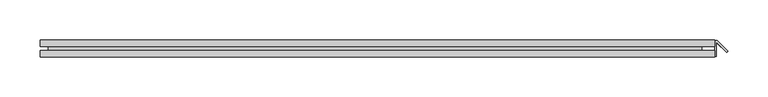
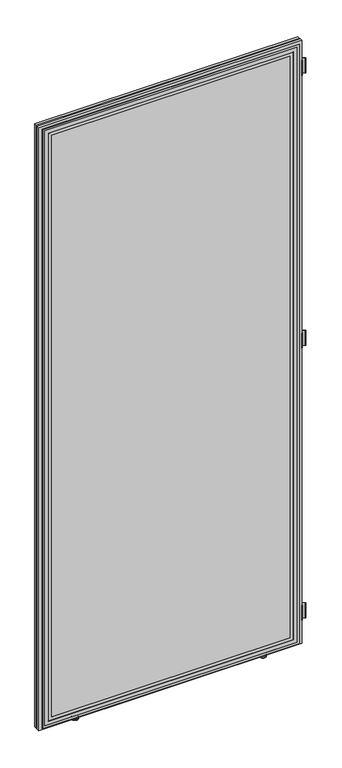
"""IFC4 building model written with IfcOpenShell, lengths in millimetres: furniture geometry."""

from ifc_helpers import new_model, si_unit, point, frame, frame_2d, origin, place, context, project, spatial, polyline, circle_curve, ellipse_curve, trimmed, segment, composite_curve, outline, extrude, faceted_brep, source, transform, mapped, element, save
from ifc_brep_helpers import plane_surface, cylinder_surface, revolved_surface, advanced_brep


def furniture_589c84e5(model_context):
    return source(origin(), model_context, "Body", "SolidModel", [
        extrude(outline(composite_curve([segment(polyline([(1255.3423635, 39.6125109), (1242.614434, 52.3404404), (1242.614434, 34.3404308), (1240.6144289, 34.3404308), (1240.6144289, 52.3132632)]), True, "CONTINUOUS"), segment(trimmed(circle_curve(frame_2d((1242.6256872, 52.3132632)), 2.0112583), [point((1240.6144289, 52.3132632))], [point((1244.0478616, 53.7354376))], False, "CARTESIAN"), True, "CONTINUOUS"), segment(polyline([(1244.0478616, 53.7354376), (1256.7565759, 41.0267233), (1255.3423635, 39.6125109)]), True, "CONTINUOUS")], self_intersect=False)), frame((0.0, 0.0, 1921.0916178), z_axis=(0.0, 0.0, 1.0), x_axis=(1.0, 0.0, 0.0)), (0.0, 0.0, 1.0), 50.7083746),
        extrude(outline(composite_curve([segment(polyline([(1255.3423635, 39.6125109), (1242.614434, 52.3404404), (1242.614434, 34.3404308), (1240.6144289, 34.3404308), (1240.6144289, 52.3132632)]), True, "CONTINUOUS"), segment(trimmed(circle_curve(frame_2d((1242.6256872, 52.3132632)), 2.0112583), [point((1240.6144289, 52.3132632))], [point((1244.0478616, 53.7354376))], False, "CARTESIAN"), True, "CONTINUOUS"), segment(polyline([(1244.0478616, 53.7354376), (1256.7565759, 41.0267233), (1255.3423635, 39.6125109)]), True, "CONTINUOUS")], self_intersect=False)), frame((0.0, 0.0, 1002.6916439), z_axis=(0.0, 0.0, 1.0), x_axis=(1.0, 0.0, 0.0)), (0.0, 0.0, 1.0), 50.7083746),
        extrude(outline(composite_curve([segment(polyline([(1255.3753488, 39.6125109), (1242.6474193, 52.3404404), (1242.6474193, 34.3404308), (1240.6474142, 34.3404308), (1240.6474142, 52.3132632)]), True, "CONTINUOUS"), segment(trimmed(circle_curve(frame_2d((1242.6586725, 52.3132632)), 2.0112583), [point((1240.6474142, 52.3132632))], [point((1244.0808469, 53.7354376))], False, "CARTESIAN"), True, "CONTINUOUS"), segment(polyline([(1244.0808469, 53.7354376), (1256.7895612, 41.0267233), (1255.3753488, 39.6125109)]), True, "CONTINUOUS")], self_intersect=False)), frame((0.0, 0.0, 84.7916486), z_axis=(0.0, 0.0, 1.0), x_axis=(1.0, 0.0, 0.0)), (0.0, 0.0, 1.0), 50.7083746),
        advanced_brep(
        [(522.5140706, 44.4843749, -0.3015086), (531.7640692, 44.4843749, -0.3015086), (513.264072, 44.4843749, -0.3015086), (532.5140689, 44.4843749, 0.448491), (512.5140724, 44.4843749, 0.448491), (532.5140689, 44.4843749, 4.4484915), (512.5140724, 44.4843749, 4.4484915), (531.7640692, 44.4843749, 5.1984911), (513.264072, 44.4843749, 5.1984911), (525.5140692, 44.4843749, 5.1984911), (519.514072, 44.4843749, 5.1984911), (525.5140692, 44.4843749, 24.1984919), (519.514072, 44.4843749, 24.1984919), (522.5140706, 44.4843749, 24.1984919)],
        [
            (0, 1),
            (1, 2, circle_curve(frame((522.5140706, 44.4843749, -0.3015086), z_axis=(0.0, 0.0, -1.0), x_axis=(1.0, 0.0, 0.0)), 9.2499986)),
            (2, 0),
            (2, 1, circle_curve(frame((522.5140706, 44.4843749, -0.3015086), z_axis=(0.0, 0.0, -1.0), x_axis=(1.0, 0.0, 0.0)), 9.2499986)),
            (1, 3, circle_curve(frame((531.7640692, 44.4843749, 0.448491), z_axis=(0.0, -1.0, 0.0), x_axis=(-1.0, 0.0, 0.0)), 0.7499996)),
            (3, 4, circle_curve(frame((522.5140706, 44.4843749, 0.448491), z_axis=(0.0, 0.0, -1.0), x_axis=(1.0, 0.0, 0.0)), 9.9999983)),
            (4, 2, circle_curve(frame((513.264072, 44.4843749, 0.448491), z_axis=(0.0, -1.0, 0.0), x_axis=(1.0, 0.0, 0.0)), 0.7499996)),
            (4, 3, circle_curve(frame((522.5140706, 44.4843749, 0.448491), z_axis=(0.0, 0.0, -1.0), x_axis=(1.0, 0.0, 0.0)), 9.9999983)),
            (3, 5),
            (5, 6, circle_curve(frame((522.5140706, 44.4843749, 4.4484915), z_axis=(0.0, 0.0, -1.0), x_axis=(1.0, 0.0, 0.0)), 9.9999983)),
            (6, 4),
            (6, 5, circle_curve(frame((522.5140706, 44.4843749, 4.4484915), z_axis=(0.0, 0.0, -1.0), x_axis=(1.0, 0.0, 0.0)), 9.9999983)),
            (5, 7, circle_curve(frame((531.7640692, 44.4843749, 4.4484915), z_axis=(0.0, -1.0, 0.0), x_axis=(-1.0, 0.0, 0.0)), 0.7499996)),
            (7, 8, circle_curve(frame((522.5140706, 44.4843749, 5.1984911), z_axis=(0.0, 0.0, -1.0), x_axis=(1.0, 0.0, 0.0)), 9.2499986)),
            (8, 6, circle_curve(frame((513.264072, 44.4843749, 4.4484915), z_axis=(0.0, -1.0, 0.0), x_axis=(1.0, 0.0, 0.0)), 0.7499996)),
            (8, 7, circle_curve(frame((522.5140706, 44.4843749, 5.1984911), z_axis=(0.0, 0.0, -1.0), x_axis=(1.0, 0.0, 0.0)), 9.2499986)),
            (7, 9),
            (9, 10, circle_curve(frame((522.5140706, 44.4843749, 5.1984911), z_axis=(0.0, 0.0, -1.0), x_axis=(1.0, 0.0, 0.0)), 2.9999986)),
            (10, 8),
            (10, 9, circle_curve(frame((522.5140706, 44.4843749, 5.1984911), z_axis=(0.0, 0.0, -1.0), x_axis=(1.0, 0.0, 0.0)), 2.9999986)),
            (9, 11),
            (11, 12, circle_curve(frame((522.5140706, 44.4843749, 24.1984919), z_axis=(0.0, 0.0, -1.0), x_axis=(1.0, 0.0, 0.0)), 2.9999986)),
            (12, 10),
            (12, 11, circle_curve(frame((522.5140706, 44.4843749, 24.1984919), z_axis=(0.0, 0.0, -1.0), x_axis=(1.0, 0.0, 0.0)), 2.9999986)),
            (11, 13),
            (13, 12),
        ],
        [
            plane_surface(frame((522.5140706, 44.4843749, -0.3015086), z_axis=(0.0, 0.0, -1.0), x_axis=(1.0, 0.0, 0.0))),
            revolved_surface(trimmed(ellipse_curve(frame((531.7640692, 44.4843749, 0.448491), z_axis=(0.0, 1.0, 0.0), x_axis=(-1.0, 0.0, 0.0)), 0.7499996, 0.7499996), [point((532.5140689, 44.4843749, 0.448491))], [point((531.7640692, 44.4843749, -0.3015086))], True, "CARTESIAN"), (522.5140706, 44.4843749, 24.1984919), (0.0, 0.0, -1.0)),
            cylinder_surface(frame((522.5140706, 44.4843749, 24.1984919), z_axis=(0.0, 0.0, -1.0), x_axis=(1.0, 0.0, 0.0)), 9.9999983),
            revolved_surface(trimmed(ellipse_curve(frame((531.7640692, 44.4843749, 4.4484915), z_axis=(0.0, 1.0, 0.0), x_axis=(-1.0, 0.0, 0.0)), 0.7499996, 0.7499996), [point((531.7640692, 44.4843749, 5.1984911))], [point((532.5140689, 44.4843749, 4.4484915))], True, "CARTESIAN"), (522.5140706, 44.4843749, 24.1984919), (0.0, 0.0, -1.0)),
            plane_surface(frame((522.5140706, 44.4843749, 5.1984911), z_axis=(0.0, 0.0, 1.0), x_axis=(1.0, 0.0, 0.0))),
            cylinder_surface(frame((522.5140706, 44.4843749, 24.1984919), z_axis=(0.0, 0.0, -1.0), x_axis=(1.0, 0.0, 0.0)), 2.9999986),
            plane_surface(frame((522.5140706, 44.4843749, 24.1984919), z_axis=(0.0, 0.0, 1.0), x_axis=(1.0, 0.0, 0.0))),
        ],
        [
            (0, [[1, 2, 3]]),
            (0, [[-3, 4, -1]]),
            (1, [[-2, 5, 6, 7]]),
            (1, [[-4, -7, 8, -5]]),
            (2, [[-6, 9, 10, 11]]),
            (2, [[-8, -11, 12, -9]]),
            (3, [[-10, 13, 14, 15]]),
            (3, [[-12, -15, 16, -13]]),
            (4, [[-14, 17, 18, 19]]),
            (4, [[-16, -19, 20, -17]]),
            (5, [[-18, 21, 22, 23]]),
            (5, [[-20, -23, 24, -21]]),
            (6, [[-22, 25, 26]]),
            (6, [[-24, -26, -25]]),
        ],
    ),
        advanced_brep(
        [(1131.655067, 44.4843749, -0.3015086), (1113.1550698, 44.4843749, -0.3015086), (1122.4050684, 44.4843749, -0.3015086), (1132.4050667, 44.4843749, 0.448491), (1112.4050702, 44.4843749, 0.448491), (1132.4050667, 44.4843749, 4.4484915), (1112.4050702, 44.4843749, 4.4484915), (1131.655067, 44.4843749, 5.1984911), (1113.1550698, 44.4843749, 5.1984911), (1125.405067, 44.4843749, 5.1984911), (1119.4050699, 44.4843749, 5.1984911), (1125.405067, 44.4843749, 24.1984919), (1119.4050699, 44.4843749, 24.1984919), (1122.4050684, 44.4843749, 24.1984919)],
        [
            (0, 1, circle_curve(frame((1122.4050684, 44.4843749, -0.3015086), z_axis=(0.0, 0.0, -1.0), x_axis=(-1.0, 0.0, 0.0)), 9.2499986)),
            (1, 2),
            (2, 0),
            (1, 0, circle_curve(frame((1122.4050684, 44.4843749, -0.3015086), z_axis=(0.0, 0.0, -1.0), x_axis=(-1.0, 0.0, 0.0)), 9.2499986)),
            (3, 4, circle_curve(frame((1122.4050684, 44.4843749, 0.448491), z_axis=(0.0, 0.0, -1.0), x_axis=(-1.0, 0.0, 0.0)), 9.9999983)),
            (4, 1, circle_curve(frame((1113.1550698, 44.4843749, 0.448491), z_axis=(0.0, -1.0, 0.0), x_axis=(1.0, 0.0, 0.0)), 0.7499996)),
            (0, 3, circle_curve(frame((1131.655067, 44.4843749, 0.448491), z_axis=(0.0, -1.0, 0.0), x_axis=(-1.0, 0.0, 0.0)), 0.7499996)),
            (4, 3, circle_curve(frame((1122.4050684, 44.4843749, 0.448491), z_axis=(0.0, 0.0, -1.0), x_axis=(-1.0, 0.0, 0.0)), 9.9999983)),
            (5, 6, circle_curve(frame((1122.4050684, 44.4843749, 4.4484915), z_axis=(0.0, 0.0, -1.0), x_axis=(-1.0, 0.0, 0.0)), 9.9999983)),
            (6, 4),
            (3, 5),
            (6, 5, circle_curve(frame((1122.4050684, 44.4843749, 4.4484915), z_axis=(0.0, 0.0, -1.0), x_axis=(-1.0, 0.0, 0.0)), 9.9999983)),
            (7, 8, circle_curve(frame((1122.4050684, 44.4843749, 5.1984911), z_axis=(0.0, 0.0, -1.0), x_axis=(-1.0, 0.0, 0.0)), 9.2499986)),
            (8, 6, circle_curve(frame((1113.1550698, 44.4843749, 4.4484915), z_axis=(0.0, -1.0, 0.0), x_axis=(1.0, 0.0, 0.0)), 0.7499996)),
            (5, 7, circle_curve(frame((1131.655067, 44.4843749, 4.4484915), z_axis=(0.0, -1.0, 0.0), x_axis=(-1.0, 0.0, 0.0)), 0.7499996)),
            (8, 7, circle_curve(frame((1122.4050684, 44.4843749, 5.1984911), z_axis=(0.0, 0.0, -1.0), x_axis=(-1.0, 0.0, 0.0)), 9.2499986)),
            (9, 10, circle_curve(frame((1122.4050684, 44.4843749, 5.1984911), z_axis=(0.0, 0.0, -1.0), x_axis=(-1.0, 0.0, 0.0)), 2.9999986)),
            (10, 8),
            (7, 9),
            (10, 9, circle_curve(frame((1122.4050684, 44.4843749, 5.1984911), z_axis=(0.0, 0.0, -1.0), x_axis=(-1.0, 0.0, 0.0)), 2.9999986)),
            (11, 12, circle_curve(frame((1122.4050684, 44.4843749, 24.1984919), z_axis=(0.0, 0.0, -1.0), x_axis=(-1.0, 0.0, 0.0)), 2.9999986)),
            (12, 10),
            (9, 11),
            (12, 11, circle_curve(frame((1122.4050684, 44.4843749, 24.1984919), z_axis=(0.0, 0.0, -1.0), x_axis=(-1.0, 0.0, 0.0)), 2.9999986)),
            (13, 12),
            (11, 13),
        ],
        [
            plane_surface(frame((1122.4050684, 44.4843749, -0.3015086), z_axis=(0.0, 0.0, -1.0), x_axis=(-1.0, 0.0, 0.0))),
            revolved_surface(trimmed(ellipse_curve(frame((1113.1550698, 44.4843749, 0.448491), z_axis=(0.0, 1.0, 0.0), x_axis=(1.0, 0.0, 0.0)), 0.7499996, 0.7499996), [point((1113.1550698, 44.4843749, -0.3015086))], [point((1112.4050702, 44.4843749, 0.448491))], True, "CARTESIAN"), (1122.4050684, 44.4843749, 24.1984919), (0.0, 0.0, 1.0)),
            cylinder_surface(frame((1122.4050684, 44.4843749, 24.1984919), z_axis=(0.0, 0.0, 1.0), x_axis=(-1.0, 0.0, 0.0)), 9.9999983),
            revolved_surface(trimmed(ellipse_curve(frame((1113.1550698, 44.4843749, 4.4484915), z_axis=(0.0, 1.0, 0.0), x_axis=(1.0, 0.0, 0.0)), 0.7499996, 0.7499996), [point((1112.4050702, 44.4843749, 4.4484915))], [point((1113.1550698, 44.4843749, 5.1984911))], True, "CARTESIAN"), (1122.4050684, 44.4843749, 24.1984919), (0.0, 0.0, 1.0)),
            plane_surface(frame((1122.4050684, 44.4843749, 5.1984911), z_axis=(0.0, 0.0, 1.0), x_axis=(-1.0, 0.0, 0.0))),
            cylinder_surface(frame((1122.4050684, 44.4843749, 24.1984919), z_axis=(0.0, 0.0, 1.0), x_axis=(-1.0, 0.0, 0.0)), 2.9999986),
            plane_surface(frame((1122.4050684, 44.4843749, 24.1984919), z_axis=(0.0, 0.0, 1.0), x_axis=(-1.0, 0.0, 0.0))),
        ],
        [
            (0, [[1, 2, 3]]),
            (0, [[4, -3, -2]]),
            (1, [[5, 6, -1, 7]]),
            (1, [[8, -7, -4, -6]]),
            (2, [[9, 10, -5, 11]]),
            (2, [[12, -11, -8, -10]]),
            (3, [[13, 14, -9, 15]]),
            (3, [[16, -15, -12, -14]]),
            (4, [[17, 18, -13, 19]]),
            (4, [[20, -19, -16, -18]]),
            (5, [[21, 22, -17, 23]]),
            (5, [[24, -23, -20, -22]]),
            (6, [[25, -21, 26]]),
            (6, [[-26, -24, -25]]),
        ],
    ),
        faceted_brep([(400.5814445, 41.9999999, 2039.8382812), (400.5814445, 33.9328125, 2039.8382812), (1240.567382, 33.9328125, 2039.8382812), (1240.567382, 41.9999999, 2039.8382812), (400.5814445, 41.9999999, 8.0000232), (1240.567382, 41.9999999, 8.0000232), (1240.567382, 33.9328125, 8.0000232), (400.5814445, 33.9328125, 8.0000232), (1232.4249098, 33.9328125, 9.7609912), (412.4249186, 33.9328125, 9.7609912), (412.4249186, 33.9328125, 2029.7609894), (1232.4249098, 33.9328125, 2029.7609894), (1224.5713569, 33.9328125, 2021.907399), (420.2784363, 33.9328125, 2021.907399), (420.2784363, 33.9328125, 17.6145453), (1224.5713569, 33.9328125, 17.6145453), (1212.92491, 33.9328125, 2010.2610168), (1212.92491, 33.9328125, 29.260991), (431.9248911, 33.9328125, 29.260991), (431.9248911, 33.9328125, 2010.2610168), (1231.9249108, 33.9328125, 10.2609914), (1231.9249108, 33.9328125, 2029.2610199), (412.924888, 33.9328125, 2029.2610199), (412.924888, 33.9328125, 10.2609914), (420.1162369, 33.9328125, 2022.0695984), (1224.7335688, 33.9328125, 2022.0695984), (1224.7335688, 33.9328125, 17.4523323), (420.1162369, 33.9328125, 17.4523323), (1212.424911, 33.9328125, 2009.7610474), (432.4249332, 33.9328125, 2009.7610474), (432.4249332, 33.9328125, 29.7609923), (1212.424911, 33.9328125, 29.7609923), (1202.4249082, 33.9328125, 1999.760931), (1202.4249082, 33.9328125, 39.7609905), (442.4249042, 33.9328125, 39.7609905), (442.4249042, 33.9328125, 1999.760931), (420.1162369, 38.9500002, 2022.0695984), (420.1162369, 38.9500002, 17.4523323), (1224.7335688, 38.9500002, 17.4523323), (1224.7335688, 38.9500002, 2022.0695984), (1224.5713569, 38.9500002, 2021.907399), (1224.5713569, 38.9500002, 17.6145453), (420.2784363, 38.9500002, 17.6145453), (420.2784363, 38.9500002, 2021.907399), (1232.4249098, 38.9500002, 9.7609912), (1232.4249098, 38.9500002, 2029.7609894), (412.4249186, 38.9500002, 2029.7609894), (412.4249186, 38.9500002, 9.7609912), (1231.9249108, 38.9500002, 10.2609914), (412.924888, 38.9500002, 10.2609914), (412.924888, 38.9500002, 2029.2610199), (1231.9249108, 38.9500002, 2029.2610199), (1202.4249082, 34.2586583, 1999.760931), (442.4249042, 34.2586583, 1999.760931), (442.4249042, 34.2586583, 39.7609905), (1202.4249082, 34.2586583, 39.7609905), (1212.92491, 34.2586583, 2010.2610168), (431.9248911, 34.2586583, 2010.2610168), (431.9248911, 34.2586583, 29.260991), (1212.92491, 34.2586583, 29.260991), (1212.424911, 34.2586583, 2009.7610474), (1212.424911, 34.2586583, 29.7609923), (432.4249332, 34.2586583, 29.7609923), (432.4249332, 34.2586583, 2009.7610474)], [[[0, 1, 2, 3]], [[4, 5, 6, 7]], [[0, 3, 5, 4]], [[3, 2, 6, 5]], [[2, 1, 7, 6], [8, 9, 10, 11]], [[12, 13, 14, 15], [16, 17, 18, 19]], [[20, 21, 22, 23], [24, 25, 26, 27]], [[28, 29, 30, 31], [32, 33, 34, 35]], [[1, 0, 4, 7]], [[36, 37, 38, 39], [40, 41, 42, 43]], [[44, 45, 46, 47], [48, 49, 50, 51]], [[40, 43, 13, 12]], [[43, 42, 14, 13]], [[42, 41, 15, 14]], [[41, 40, 12, 15]], [[36, 39, 25, 24]], [[39, 38, 26, 25]], [[38, 37, 27, 26]], [[37, 36, 24, 27]], [[44, 47, 9, 8]], [[47, 46, 10, 9]], [[46, 45, 11, 10]], [[45, 44, 8, 11]], [[48, 51, 21, 20]], [[51, 50, 22, 21]], [[50, 49, 23, 22]], [[49, 48, 20, 23]], [[52, 53, 54, 55]], [[56, 57, 58, 59], [60, 61, 62, 63]], [[52, 55, 33, 32]], [[55, 54, 34, 33]], [[54, 53, 35, 34]], [[53, 52, 32, 35]], [[56, 59, 17, 16]], [[59, 58, 18, 17]], [[58, 57, 19, 18]], [[57, 56, 16, 19]], [[60, 63, 29, 28]], [[63, 62, 30, 29]], [[62, 61, 31, 30]], [[61, 60, 28, 31]]]),
        faceted_brep([(400.5814445, 46.9000001, 2039.8382812), (1240.567382, 46.9000001, 2039.8382812), (1240.567382, 54.9671875, 2039.8382812), (400.5814445, 54.9671875, 2039.8382812), (400.5814445, 46.9000001, 8.0000232), (400.5814445, 54.9671875, 8.0000232), (1240.567382, 54.9671875, 8.0000232), (1240.567382, 46.9000001, 8.0000232), (412.4249186, 54.9671875, 9.7609912), (1232.4249098, 54.9671875, 9.7609912), (1232.4249098, 54.9671875, 2029.7609894), (412.4249186, 54.9671875, 2029.7609894), (432.4249332, 54.9671875, 2009.7610474), (1212.424911, 54.9671875, 2009.7610474), (1212.424911, 54.9671875, 29.7609923), (432.4249332, 54.9671875, 29.7609923), (1202.4249082, 54.9671875, 39.7609905), (1202.4249082, 54.9671875, 1999.760931), (442.4249042, 54.9671875, 1999.760931), (442.4249042, 54.9671875, 39.7609905), (420.2784363, 54.9671875, 2021.907399), (1224.5713569, 54.9671875, 2021.907399), (1224.5713569, 54.9671875, 17.6145453), (420.2784363, 54.9671875, 17.6145453), (1212.92491, 54.9671875, 29.260991), (1212.92491, 54.9671875, 2010.2610168), (431.9248911, 54.9671875, 2010.2610168), (431.9248911, 54.9671875, 29.260991), (1231.9249108, 54.9671875, 2029.2610199), (1231.9249108, 54.9671875, 10.2609914), (412.924888, 54.9671875, 10.2609914), (412.924888, 54.9671875, 2029.2610199), (1224.7335688, 54.9671875, 2022.0695984), (420.1162369, 54.9671875, 2022.0695984), (420.1162369, 54.9671875, 17.4523323), (1224.7335688, 54.9671875, 17.4523323), (1202.4249082, 54.6413417, 1999.760931), (1202.4249082, 54.6413417, 39.7609905), (442.4249042, 54.6413417, 39.7609905), (442.4249042, 54.6413417, 1999.760931), (1212.92491, 54.6413417, 2010.2610168), (1212.92491, 54.6413417, 29.260991), (431.9248911, 54.6413417, 29.260991), (431.9248911, 54.6413417, 2010.2610168), (1212.424911, 54.6413417, 2009.7610474), (432.4249332, 54.6413417, 2009.7610474), (432.4249332, 54.6413417, 29.7609923), (1212.424911, 54.6413417, 29.7609923), (420.1162369, 49.9499998, 2022.0695984), (1224.7335688, 49.9499998, 2022.0695984), (1224.7335688, 49.9499998, 17.4523323), (420.1162369, 49.9499998, 17.4523323), (1224.5713569, 49.9499998, 2021.907399), (420.2784363, 49.9499998, 2021.907399), (420.2784363, 49.9499998, 17.6145453), (1224.5713569, 49.9499998, 17.6145453), (1232.4249098, 49.9499998, 9.7609912), (412.4249186, 49.9499998, 9.7609912), (412.4249186, 49.9499998, 2029.7609894), (1232.4249098, 49.9499998, 2029.7609894), (1231.9249108, 49.9499998, 10.2609914), (1231.9249108, 49.9499998, 2029.2610199), (412.924888, 49.9499998, 2029.2610199), (412.924888, 49.9499998, 10.2609914)], [[[0, 1, 2, 3]], [[4, 5, 6, 7]], [[1, 0, 4, 7]], [[2, 1, 7, 6]], [[3, 2, 6, 5], [8, 9, 10, 11]], [[12, 13, 14, 15], [16, 17, 18, 19]], [[20, 21, 22, 23], [24, 25, 26, 27]], [[28, 29, 30, 31], [32, 33, 34, 35]], [[0, 3, 5, 4]], [[36, 37, 38, 39]], [[40, 41, 42, 43], [44, 45, 46, 47]], [[37, 36, 17, 16]], [[38, 37, 16, 19]], [[39, 38, 19, 18]], [[36, 39, 18, 17]], [[41, 40, 25, 24]], [[42, 41, 24, 27]], [[43, 42, 27, 26]], [[40, 43, 26, 25]], [[45, 44, 13, 12]], [[46, 45, 12, 15]], [[47, 46, 15, 14]], [[44, 47, 14, 13]], [[48, 49, 50, 51], [52, 53, 54, 55]], [[56, 57, 58, 59], [60, 61, 62, 63]], [[53, 52, 21, 20]], [[54, 53, 20, 23]], [[55, 54, 23, 22]], [[52, 55, 22, 21]], [[49, 48, 33, 32]], [[50, 49, 32, 35]], [[51, 50, 35, 34]], [[48, 51, 34, 33]], [[57, 56, 9, 8]], [[58, 57, 8, 11]], [[59, 58, 11, 10]], [[56, 59, 10, 9]], [[61, 60, 29, 28]], [[62, 61, 28, 31]], [[63, 62, 31, 30]], [[60, 63, 30, 29]]]),
        extrude(outline(polyline([(1224.4249099, 46.9000001), (1224.4249099, 41.9999999), (410.9466877, 41.9999999), (410.9466877, 46.9000001), (1224.4249099, 46.9000001)])), frame((0.0, 0.0, 8.0000232), z_axis=(0.0, 0.0, 1.0), x_axis=(1.0, 0.0, 0.0)), (0.0, 0.0, 1.0), 2022.0000504),
    ])


if __name__ == "__main__":
    model = new_model("IFC4")
    model_context = context("Model", 3, world=origin())
    ifc_project = project(units=[si_unit("LENGTHUNIT", "METRE", prefix="MILLI")], contexts=[model_context])
    site = spatial("IfcSite", under=ifc_project)
    building = spatial("IfcBuilding", under=site)
    placement = place(None, origin())
    furniture_shape = furniture_589c84e5(model_context)
    element("IfcFurniture", 1, at=placement, inside=building, context=model_context, shape_type="MappedRepresentation", body=[
        mapped(furniture_shape, transform((0.0, 0.0, 0.0), x_axis=(1.0, 0.0, 0.0), y_axis=(0.0, 1.0, 0.0), z_axis=(0.0, 0.0, 1.0))),
    ])
    save(model, "model.ifc")
